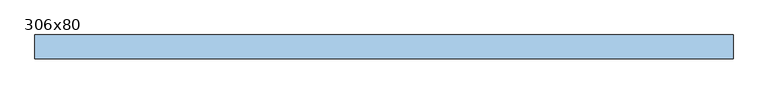
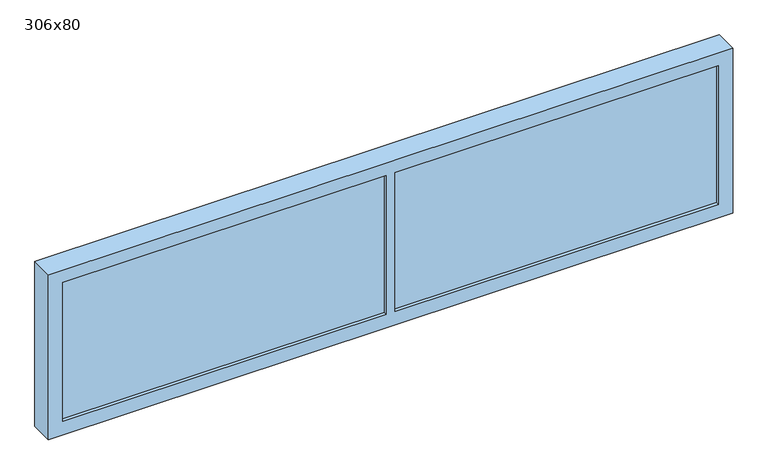
"""IFC4 building model written with IfcOpenShell, lengths in millimetres: window geometry, 306x80."""

from ifc_helpers import new_model, si_unit, frame, origin, place, context, project, spatial, polyline, outline, extrude, faceted_brep, source, transform, mapped, element, save


def window_306x80_7b1dd5a1(model_context):
    return source(origin(), model_context, "Body", "SolidModel", [
        extrude(outline(polyline([(1428.4, 41.425), (-1504.6, 41.425), (-1504.6, 54.125), (1428.4, 54.125), (1428.4, 41.425)])), frame((0.0, 0.0, 977.9), z_axis=(0.0, 0.0, 1.0), x_axis=(1.0, 0.0, 0.0)), (0.0, 0.0, 1.0), 657.45),
        faceted_brep([(1472.85, 70.0, 1675.35), (1472.85, 70.0, 933.45), (-1549.05, 70.0, 933.45), (-1549.05, 70.0, 1675.35), (-58.1, 70.0, 1675.35), (-18.1, 70.0, 1675.35), (-1504.6, 70.0, 1635.35), (-1504.6, 70.0, 977.9), (-58.1, 70.0, 977.9), (-58.1, 70.0, 1635.35), (1428.4, 70.0, 977.9), (1428.4, 70.0, 1635.35), (-18.1, 70.0, 1635.35), (-18.1, 70.0, 977.9), (-1504.6, 25.55, 1635.35), (-1504.6, 25.55, 977.9), (-58.1, 25.55, 977.9), (1428.4, 25.55, 977.9), (-18.1, 25.55, 977.9), (-58.1, 25.55, 1635.35), (1428.4, 25.55, 1635.35), (-18.1, 25.55, 1635.35), (1472.85, 130.0, 1675.35), (1472.85, 130.0, 933.45), (-1549.05, 130.0, 933.45), (-1549.05, 130.0, 1675.35), (1491.9, 25.55, 1694.4), (-1568.1, 25.55, 1694.4), (-1568.1, 25.55, 914.4), (1491.9, 25.55, 914.4), (-1568.1, 130.0, 1694.4), (-1568.1, 130.0, 914.4), (1491.9, 130.0, 914.4), (1491.9, 130.0, 1694.4)], [[[0, 1, 2, 3, 4, 5], [6, 7, 8, 9], [10, 11, 12, 13]], [[7, 6, 14, 15]], [[7, 15, 16, 8]], [[17, 10, 13, 18]], [[9, 8, 16, 19]], [[11, 10, 17, 20]], [[21, 18, 13, 12]], [[22, 23, 1, 0]], [[23, 24, 2, 1]], [[24, 25, 3, 2]], [[26, 27, 28, 29], [15, 14, 19, 16], [20, 17, 18, 21]], [[28, 27, 30, 31]], [[29, 28, 31, 32]], [[26, 29, 32, 33]], [[33, 32, 31, 30], [22, 25, 24, 23]], [[26, 33, 30, 27]], [[14, 6, 9, 19]], [[11, 20, 21, 12]], [[25, 22, 0, 5, 4, 3]]]),
    ])


if __name__ == "__main__":
    model = new_model("IFC4")
    model_context = context("Model", 3, world=origin())
    ifc_project = project(units=[si_unit("LENGTHUNIT", "METRE", prefix="MILLI")], contexts=[model_context])
    site = spatial("IfcSite", under=ifc_project)
    building = spatial("IfcBuilding", under=site)
    placement = place(None, origin())
    window_306x80_shape = window_306x80_7b1dd5a1(model_context)
    element("IfcWindow", 1, ObjectType="306x80", at=placement, inside=building, context=model_context, shape_type="MappedRepresentation", body=[
        mapped(window_306x80_shape, transform((0.0, 0.0, 0.0), x_axis=(1.0, 0.0, 0.0), y_axis=(0.0, 1.0, 0.0), z_axis=(0.0, 0.0, 1.0))),
    ])
    save(model, "model.ifc")
